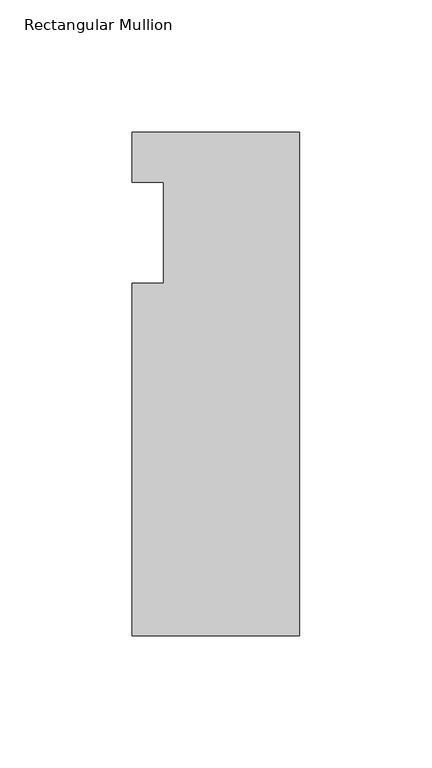
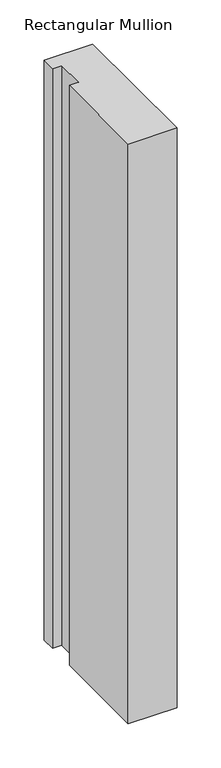
"""IFC4 building model written with IfcOpenShell, lengths in millimetres: member geometry, Rectangular Mullion."""

from ifc_helpers import new_model, si_unit, frame, origin, place, context, project, spatial, polyline, outline, extrude, source, transform, mapped, element, save


def rectangular_mullion_9751e8f8(model_context):
    return source(origin(), model_context, "Body", "SweptSolid", [
        extrude(outline(polyline([(-63.5, -152.4), (-63.5, -19.0495158), (-51.5874, -19.0495158), (-51.5874, 19.0504842), (-63.5, 19.0504842), (-63.5, 38.1), (0.0, 38.1), (0.0, -152.4), (-63.5, -152.4)])), frame((0.0, 0.0, -800.0882131), z_axis=(0.0, 0.0, 1.0), x_axis=(1.0, 0.0, 0.0)), (0.0, 0.0, 1.0), 800.0882131),
    ])


if __name__ == "__main__":
    model = new_model("IFC4")
    model_context = context("Model", 3, world=origin())
    ifc_project = project(units=[si_unit("LENGTHUNIT", "METRE", prefix="MILLI")], contexts=[model_context])
    site = spatial("IfcSite", under=ifc_project)
    building = spatial("IfcBuilding", under=site)
    placement = place(None, origin())
    rectangular_mullion_shape = rectangular_mullion_9751e8f8(model_context)
    element("IfcMember", 1, ObjectType="Rectangular Mullion", at=placement, inside=building, context=model_context, shape_type="MappedRepresentation", body=[
        mapped(rectangular_mullion_shape, transform((0.0, 0.0, 0.0), x_axis=(1.0, 0.0, 0.0), y_axis=(0.0, 1.0, 0.0), z_axis=(0.0, 0.0, 1.0))),
    ])
    save(model, "model.ifc")
